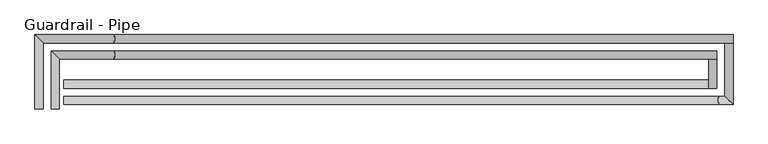
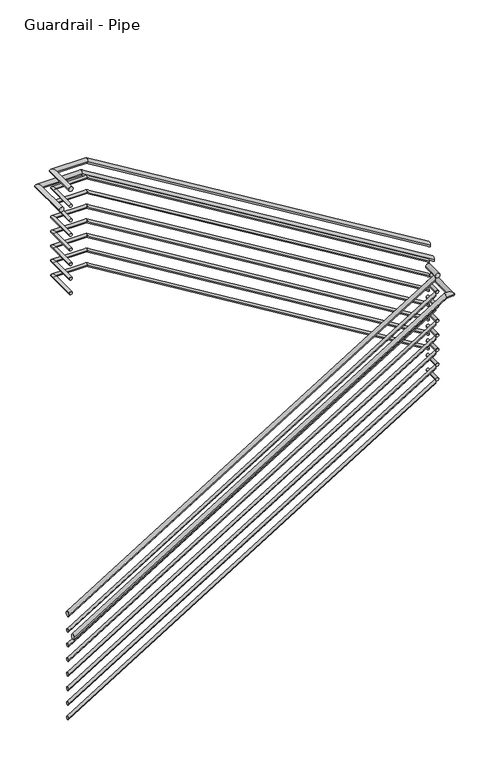
"""IFC4 building model written with IfcOpenShell, lengths in millimetres: railing geometry, Guardrail - Pipe."""

from ifc_helpers import new_model, si_unit, frame, origin, place, context, project, spatial, circle_curve, ellipse_curve, source, transform, mapped, element, save
from ifc_brep_helpers import plane_surface, cylinder_surface, advanced_brep


def guardrail_pipe_e2300b9c(model_context):
    return source(origin(), model_context, "Body", "AdvancedBrep", [
        advanced_brep(
        [(2655.3404629, -22606.8340928, 5010.15), (2693.4404629, -22606.8340928, 5010.15), (2655.3404629, -22333.7840928, 5010.15), (2693.4404629, -22371.8840928, 5010.15), (2948.4563775, -22333.7840928, 5010.15), (2948.4563775, -22371.8840928, 5010.15), (5782.5952881, -22333.7840928, 3287.9847121), (5782.5952881, -22371.8840928, 3287.9847121)],
        [
            (0, 1, circle_curve(frame((2674.3904629, -22606.8340928, 5010.15), z_axis=(0.0, -1.0, 0.0), x_axis=(1.0, 0.0, 0.0)), 19.05)),
            (1, 0, circle_curve(frame((2674.3904629, -22606.8340928, 5010.15), z_axis=(0.0, -1.0, 0.0), x_axis=(1.0, 0.0, 0.0)), 19.05)),
            (0, 2),
            (2, 3, ellipse_curve(frame((2674.3904629, -22352.8340928, 5010.15), z_axis=(-0.7071067811865462, -0.7071067811865488, 0.0), x_axis=(0.7071067811865488, -0.7071067811865462, 0.0)), 26.9407684, 19.05)),
            (3, 1),
            (3, 2, ellipse_curve(frame((2674.3904629, -22352.8340928, 5010.15), z_axis=(-0.7071067811865462, -0.7071067811865488, 0.0), x_axis=(0.7071067811865488, -0.7071067811865462, 0.0)), 26.9407684, 19.05)),
            (2, 4),
            (4, 5, ellipse_curve(frame((2948.4563775, -22352.8340928, 5010.15), z_axis=(-0.9629628986433272, 0.0, 0.26963392931239466), x_axis=(-0.2696339293123937, 0.0, -0.9629628986433273)), 19.7826936, 19.05)),
            (5, 3),
            (5, 4, ellipse_curve(frame((2948.4563775, -22352.8340928, 5010.15), z_axis=(-0.9629628986433272, 0.0, 0.26963392931239466), x_axis=(-0.2696339293123937, 0.0, -0.9629628986433273)), 19.7826936, 19.05)),
            (6, 7, ellipse_curve(frame((5782.5952881, -22352.8340928, 3287.9847121), z_axis=(1.0, 0.0, 0.0), x_axis=(0.0, 0.0, 1.0)), 22.2912585, 19.05)),
            (7, 6, ellipse_curve(frame((5782.5952881, -22352.8340928, 3287.9847121), z_axis=(1.0, 0.0, 0.0), x_axis=(0.0, 0.0, 1.0)), 22.2912585, 19.05)),
            (4, 6),
            (7, 5),
        ],
        [
            plane_surface(frame((2674.3904629, -22606.8340928, 5029.2), z_axis=(0.0, -1.0, 0.0), x_axis=(0.0, 0.0, 1.0))),
            cylinder_surface(frame((2674.3904629, -22606.8340928, 5010.15), z_axis=(0.0, -1.0, 0.0), x_axis=(1.0, 0.0, 0.0)), 19.05),
            cylinder_surface(frame((2674.3904629, -22352.8340928, 5010.15), z_axis=(-1.0, 0.0, 0.0), x_axis=(0.0, -1.0, 0.0)), 19.05),
            plane_surface(frame((5782.5952881, -22352.8340928, 3310.2759705), z_axis=(1.0, 0.0, 0.0), x_axis=(0.0, 1.0, 0.0))),
            cylinder_surface(frame((2943.8978943, -22352.8340928, 5012.9199636), z_axis=(-0.8545950883271172, 0.0, 0.519294940286507), x_axis=(0.0, -1.0, 0.0)), 19.05),
        ],
        [
            (0, [[1, 2]]),
            (1, [[-1, 3, 4, 5]]),
            (1, [[-2, -5, 6, -3]]),
            (2, [[-4, 7, 8, 9]]),
            (2, [[-6, -9, 10, -7]]),
            (3, [[11, 12]]),
            (4, [[-8, 13, -12, 14]]),
            (4, [[-10, -14, -11, -13]]),
        ],
    ),
        advanced_brep(
        [(5782.5952881, -22371.8840928, 3115.0891304), (5744.4952881, -22371.8840928, 3115.0891304), (5782.5952881, -22509.0587769, 3115.0891304), (5744.4952881, -22509.0587769, 3115.0891304)],
        [
            (0, 1, circle_curve(frame((5763.5452881, -22371.8840928, 3115.0891304), z_axis=(0.0, 1.0, 0.0), x_axis=(-1.0, 0.0, 0.0)), 19.05)),
            (1, 0, circle_curve(frame((5763.5452881, -22371.8840928, 3115.0891304), z_axis=(0.0, 1.0, 0.0), x_axis=(-1.0, 0.0, 0.0)), 19.05)),
            (2, 3, circle_curve(frame((5763.5452881, -22509.0587769, 3115.0891304), z_axis=(0.0, -1.0, 0.0), x_axis=(-1.0, 0.0, 0.0)), 19.05)),
            (3, 2, circle_curve(frame((5763.5452881, -22509.0587769, 3115.0891304), z_axis=(0.0, -1.0, 0.0), x_axis=(-1.0, 0.0, 0.0)), 19.05)),
            (0, 2),
            (3, 1),
        ],
        [
            plane_surface(frame((5763.5452881, -22371.8840928, 3134.1391304), z_axis=(0.0, 1.0, 0.0), x_axis=(0.0, 0.0, -1.0))),
            plane_surface(frame((5763.5452881, -22509.0587769, 3134.1391304), z_axis=(0.0, -1.0, 0.0), x_axis=(0.0, 0.0, -1.0))),
            cylinder_surface(frame((5763.5452881, -22371.8840928, 3115.0891304), z_axis=(0.0, 1.0, 0.0), x_axis=(-1.0, 0.0, 0.0)), 19.05),
        ],
        [
            (0, [[1, 2]]),
            (1, [[3, 4]]),
            (2, [[-1, 5, -4, 6]]),
            (2, [[-2, -6, -3, -5]]),
        ],
    ),
        advanced_brep(
        [(5744.4952881, -22509.0587769, 3084.3509489), (5744.4952881, -22470.9587769, 3084.3509489), (2715.5452881, -22509.0587769, 1216.6979844), (2715.5452881, -22470.9587769, 1216.6979844)],
        [
            (0, 1, ellipse_curve(frame((5744.4952881, -22490.0087769, 3084.3509489), z_axis=(1.0, 0.0, 0.0), x_axis=(0.0, 0.0, 1.0)), 22.3802764, 19.05)),
            (1, 0, ellipse_curve(frame((5744.4952881, -22490.0087769, 3084.3509489), z_axis=(1.0, 0.0, 0.0), x_axis=(0.0, 0.0, 1.0)), 22.3802764, 19.05)),
            (2, 3, ellipse_curve(frame((2715.5452881, -22490.0087769, 1216.6979844), z_axis=(-1.0, 0.0, 0.0), x_axis=(0.0, 0.0, 1.0)), 22.3802764, 19.05)),
            (3, 2, ellipse_curve(frame((2715.5452881, -22490.0087769, 1216.6979844), z_axis=(-1.0, 0.0, 0.0), x_axis=(0.0, 0.0, 1.0)), 22.3802764, 19.05)),
            (0, 2),
            (3, 1),
        ],
        [
            plane_surface(frame((5744.4952881, -22490.0087769, 3106.7312253), z_axis=(1.0, 0.0, 0.0), x_axis=(0.0, -1.0, 0.0))),
            plane_surface(frame((2715.5452881, -22490.0087769, 1239.0782609), z_axis=(-1.0, 0.0, 0.0), x_axis=(0.0, -1.0, 0.0))),
            cylinder_surface(frame((5754.493644, -22490.0087769, 3090.515943), z_axis=(0.8511959207162859, 0.0, 0.52484807759575), x_axis=(0.0, 1.0, 0.0)), 19.05),
        ],
        [
            (0, [[1, 2]]),
            (1, [[3, 4]]),
            (2, [[-1, 5, -4, 6]]),
            (2, [[-2, -6, -3, -5]]),
        ],
    ),
        advanced_brep(
        [(2661.6904629, -22606.8340928, 4864.1), (2687.0904629, -22606.8340928, 4864.1), (2661.6904629, -22340.1340928, 4864.1), (2687.0904629, -22365.5340928, 4864.1), (2950.2344059, -22340.1340928, 4864.1), (2950.2344059, -22365.5340928, 4864.1), (5776.2452881, -22340.1340928, 3146.8737108), (5776.2452881, -22365.5340928, 3146.8737108)],
        [
            (0, 1, circle_curve(frame((2674.3904629, -22606.8340928, 4864.1), z_axis=(0.0, -1.0, 0.0), x_axis=(1.0, 0.0, 0.0)), 12.7)),
            (1, 0, circle_curve(frame((2674.3904629, -22606.8340928, 4864.1), z_axis=(0.0, -1.0, 0.0), x_axis=(1.0, 0.0, 0.0)), 12.7)),
            (0, 2),
            (2, 3, ellipse_curve(frame((2674.3904629, -22352.8340928, 4864.1), z_axis=(-0.7071067811865462, -0.7071067811865488, 0.0), x_axis=(0.7071067811865488, -0.7071067811865462, 0.0)), 17.9605122, 12.7)),
            (3, 1),
            (3, 2, ellipse_curve(frame((2674.3904629, -22352.8340928, 4864.1), z_axis=(-0.7071067811865462, -0.7071067811865488, 0.0), x_axis=(0.7071067811865488, -0.7071067811865462, 0.0)), 17.9605122, 12.7)),
            (2, 4),
            (4, 5, ellipse_curve(frame((2950.2344059, -22352.8340928, 4864.1), z_axis=(-0.9629628986433272, 0.0, 0.26963392931239466), x_axis=(-0.2696339293123937, 0.0, -0.9629628986433273)), 13.1884624, 12.7)),
            (5, 3),
            (5, 4, ellipse_curve(frame((2950.2344059, -22352.8340928, 4864.1), z_axis=(-0.9629628986433272, 0.0, 0.26963392931239466), x_axis=(-0.2696339293123937, 0.0, -0.9629628986433273)), 13.1884624, 12.7)),
            (6, 7, ellipse_curve(frame((5776.2452881, -22352.8340928, 3146.8737108), z_axis=(1.0, 0.0, 0.0), x_axis=(0.0, 0.0, 1.0)), 14.860839, 12.7)),
            (7, 6, ellipse_curve(frame((5776.2452881, -22352.8340928, 3146.8737108), z_axis=(1.0, 0.0, 0.0), x_axis=(0.0, 0.0, 1.0)), 14.860839, 12.7)),
            (4, 6),
            (7, 5),
        ],
        [
            plane_surface(frame((2674.3904629, -22606.8340928, 4876.8), z_axis=(0.0, -1.0, 0.0), x_axis=(0.0, 0.0, 1.0))),
            cylinder_surface(frame((2674.3904629, -22606.8340928, 4864.1), z_axis=(0.0, -1.0, 0.0), x_axis=(1.0, 0.0, 0.0)), 12.7),
            cylinder_surface(frame((2674.3904629, -22352.8340928, 4864.1), z_axis=(-1.0, 0.0, 0.0), x_axis=(0.0, -1.0, 0.0)), 12.7),
            plane_surface(frame((5776.2452881, -22352.8340928, 3161.7345498), z_axis=(1.0, 0.0, 0.0), x_axis=(0.0, 1.0, 0.0))),
            cylinder_surface(frame((2947.1954171, -22352.8340928, 4865.9466424), z_axis=(-0.8545950883271172, 0.0, 0.519294940286507), x_axis=(0.0, -1.0, 0.0)), 12.7),
        ],
        [
            (0, [[1, 2]]),
            (1, [[-1, 3, 4, 5]]),
            (1, [[-2, -5, 6, -3]]),
            (2, [[-4, 7, 8, 9]]),
            (2, [[-6, -9, 10, -7]]),
            (3, [[11, 12]]),
            (4, [[-8, 13, -12, 14]]),
            (4, [[-10, -14, -11, -13]]),
        ],
    ),
        advanced_brep(
        [(5776.2452881, -22365.5340928, 2969.0391304), (5750.8452881, -22365.5340928, 2969.0391304), (5776.2452881, -22502.7087769, 2969.0391304), (5750.8452881, -22502.7087769, 2969.0391304)],
        [
            (0, 1, circle_curve(frame((5763.5452881, -22365.5340928, 2969.0391304), z_axis=(0.0, 1.0, 0.0), x_axis=(-1.0, 0.0, 0.0)), 12.7)),
            (1, 0, circle_curve(frame((5763.5452881, -22365.5340928, 2969.0391304), z_axis=(0.0, 1.0, 0.0), x_axis=(-1.0, 0.0, 0.0)), 12.7)),
            (2, 3, circle_curve(frame((5763.5452881, -22502.7087769, 2969.0391304), z_axis=(0.0, -1.0, 0.0), x_axis=(-1.0, 0.0, 0.0)), 12.7)),
            (3, 2, circle_curve(frame((5763.5452881, -22502.7087769, 2969.0391304), z_axis=(0.0, -1.0, 0.0), x_axis=(-1.0, 0.0, 0.0)), 12.7)),
            (0, 2),
            (3, 1),
        ],
        [
            plane_surface(frame((5763.5452881, -22365.5340928, 2981.7391304), z_axis=(0.0, 1.0, 0.0), x_axis=(0.0, 0.0, -1.0))),
            plane_surface(frame((5763.5452881, -22502.7087769, 2981.7391304), z_axis=(0.0, -1.0, 0.0), x_axis=(0.0, 0.0, -1.0))),
            cylinder_surface(frame((5763.5452881, -22365.5340928, 2969.0391304), z_axis=(0.0, 1.0, 0.0), x_axis=(-1.0, 0.0, 0.0)), 12.7),
        ],
        [
            (0, [[1, 2]]),
            (1, [[3, 4]]),
            (2, [[-1, 5, -4, 6]]),
            (2, [[-2, -6, -3, -5]]),
        ],
    ),
        advanced_brep(
        [(5750.8452881, -22502.7087769, 2943.326456), (5750.8452881, -22477.3087769, 2943.326456), (2715.5452881, -22502.7087769, 1071.7580766), (2715.5452881, -22477.3087769, 1071.7580766)],
        [
            (0, 1, ellipse_curve(frame((5750.8452881, -22490.0087769, 2943.326456), z_axis=(1.0, 0.0, 0.0), x_axis=(0.0, 0.0, 1.0)), 14.9201843, 12.7)),
            (1, 0, ellipse_curve(frame((5750.8452881, -22490.0087769, 2943.326456), z_axis=(1.0, 0.0, 0.0), x_axis=(0.0, 0.0, 1.0)), 14.9201843, 12.7)),
            (2, 3, ellipse_curve(frame((2715.5452881, -22490.0087769, 1071.7580766), z_axis=(-1.0, 0.0, 0.0), x_axis=(0.0, 0.0, 1.0)), 14.9201843, 12.7)),
            (3, 2, ellipse_curve(frame((2715.5452881, -22490.0087769, 1071.7580766), z_axis=(-1.0, 0.0, 0.0), x_axis=(0.0, 0.0, 1.0)), 14.9201843, 12.7)),
            (0, 2),
            (3, 1),
        ],
        [
            plane_surface(frame((5750.8452881, -22490.0087769, 2958.2466403), z_axis=(1.0, 0.0, 0.0), x_axis=(0.0, -1.0, 0.0))),
            plane_surface(frame((2715.5452881, -22490.0087769, 1086.6782609), z_axis=(-1.0, 0.0, 0.0), x_axis=(0.0, -1.0, 0.0))),
            cylinder_surface(frame((5757.5108587, -22490.0087769, 2947.4364521), z_axis=(0.8511959207162859, 0.0, 0.52484807759575), x_axis=(0.0, 1.0, 0.0)), 12.7),
        ],
        [
            (0, [[1, 2]]),
            (1, [[3, 4]]),
            (2, [[-1, 5, -4, 6]]),
            (2, [[-2, -6, -3, -5]]),
        ],
    ),
        advanced_brep(
        [(2579.1404629, -22606.8340928, 4857.75), (2617.2404629, -22606.8340928, 4857.75), (2579.1404629, -22257.5840928, 4857.75), (2617.2404629, -22295.6840928, 4857.75), (2948.4563775, -22257.5840928, 4857.75), (2948.4563775, -22295.6840928, 4857.75), (5858.7952881, -22257.5840928, 3089.2817611), (5858.7952881, -22295.6840928, 3089.2817611)],
        [
            (0, 1, circle_curve(frame((2598.1904629, -22606.8340928, 4857.75), z_axis=(0.0, -1.0, 0.0), x_axis=(1.0, 0.0, 0.0)), 19.05)),
            (1, 0, circle_curve(frame((2598.1904629, -22606.8340928, 4857.75), z_axis=(0.0, -1.0, 0.0), x_axis=(1.0, 0.0, 0.0)), 19.05)),
            (0, 2),
            (2, 3, ellipse_curve(frame((2598.1904629, -22276.6340928, 4857.75), z_axis=(-0.7071067811865462, -0.7071067811865488, 0.0), x_axis=(0.7071067811865488, -0.7071067811865462, 0.0)), 26.9407684, 19.05)),
            (3, 1),
            (3, 2, ellipse_curve(frame((2598.1904629, -22276.6340928, 4857.75), z_axis=(-0.7071067811865462, -0.7071067811865488, 0.0), x_axis=(0.7071067811865488, -0.7071067811865462, 0.0)), 26.9407684, 19.05)),
            (2, 4),
            (4, 5, ellipse_curve(frame((2948.4563775, -22276.6340928, 4857.75), z_axis=(-0.9629628986433271, 0.0, 0.2696339293123947), x_axis=(-0.2696339293123945, 0.0, -0.962962898643327)), 19.7826936, 19.05)),
            (5, 3),
            (5, 4, ellipse_curve(frame((2948.4563775, -22276.6340928, 4857.75), z_axis=(-0.9629628986433271, 0.0, 0.2696339293123947), x_axis=(-0.2696339293123945, 0.0, -0.962962898643327)), 19.7826936, 19.05)),
            (6, 7, ellipse_curve(frame((5858.7952881, -22276.6340928, 3089.2817611), z_axis=(1.0, 0.0, 0.0), x_axis=(0.0, 0.0, 1.0)), 22.2912585, 19.05)),
            (7, 6, ellipse_curve(frame((5858.7952881, -22276.6340928, 3089.2817611), z_axis=(1.0, 0.0, 0.0), x_axis=(0.0, 0.0, 1.0)), 22.2912585, 19.05)),
            (4, 6),
            (7, 5),
        ],
        [
            plane_surface(frame((2598.1904629, -22606.8340928, 4876.8), z_axis=(0.0, -1.0, 0.0), x_axis=(0.0, 0.0, 1.0))),
            cylinder_surface(frame((2598.1904629, -22606.8340928, 4857.75), z_axis=(0.0, -1.0, 0.0), x_axis=(1.0, 0.0, 0.0)), 19.05),
            cylinder_surface(frame((2598.1904629, -22276.6340928, 4857.75), z_axis=(-1.0, 0.0, 0.0), x_axis=(0.0, -1.0, 0.0)), 19.05),
            plane_surface(frame((5858.7952881, -22276.6340928, 3111.5730196), z_axis=(1.0, 0.0, 0.0), x_axis=(0.0, 1.0, 0.0))),
            cylinder_surface(frame((2943.8978943, -22276.6340928, 4860.5199636), z_axis=(-0.8545950883271171, 0.0, 0.5192949402865071), x_axis=(0.0, -1.0, 0.0)), 19.05),
        ],
        [
            (0, [[1, 2]]),
            (1, [[-1, 3, 4, 5]]),
            (1, [[-2, -5, 6, -3]]),
            (2, [[-4, 7, 8, 9]]),
            (2, [[-6, -9, 10, -7]]),
            (3, [[11, 12]]),
            (4, [[-8, 13, -12, 14]]),
            (4, [[-10, -14, -11, -13]]),
        ],
    ),
        advanced_brep(
        [(5858.7952881, -22295.6840928, 2962.6891304), (5820.6952881, -22295.6840928, 2962.6891304), (5858.7952881, -22585.2587769, 2962.6891304), (5820.6952881, -22547.1587769, 2962.6891304), (5794.3463133, -22585.2587769, 2962.6891304), (5794.3463133, -22547.1587769, 2962.6891304), (2715.5452881, -22585.2587769, 1064.2979844), (2715.5452881, -22547.1587769, 1064.2979844)],
        [
            (0, 1, circle_curve(frame((5839.7452881, -22295.6840928, 2962.6891304), z_axis=(0.0, 1.0, 0.0), x_axis=(-1.0, 0.0, 0.0)), 19.05)),
            (1, 0, circle_curve(frame((5839.7452881, -22295.6840928, 2962.6891304), z_axis=(0.0, 1.0, 0.0), x_axis=(-1.0, 0.0, 0.0)), 19.05)),
            (0, 2),
            (2, 3, ellipse_curve(frame((5839.7452881, -22566.2087769, 2962.6891304), z_axis=(0.7071067811865487, 0.7071067811865464, 0.0), x_axis=(-0.7071067811865464, 0.7071067811865487, 0.0)), 26.9407684, 19.05)),
            (3, 1),
            (3, 2, ellipse_curve(frame((5839.7452881, -22566.2087769, 2962.6891304), z_axis=(0.7071067811865487, 0.7071067811865464, 0.0), x_axis=(-0.7071067811865464, 0.7071067811865487, 0.0)), 26.9407684, 19.05)),
            (2, 4),
            (4, 5, ellipse_curve(frame((5794.3463133, -22566.2087769, 2962.6891304), z_axis=(0.9620800176482946, 0.0, 0.2727673727590181), x_axis=(0.27276737275901797, 0.0, -0.9620800176482945)), 19.8008478, 19.05)),
            (5, 3),
            (5, 4, ellipse_curve(frame((5794.3463133, -22566.2087769, 2962.6891304), z_axis=(0.9620800176482946, 0.0, 0.2727673727590181), x_axis=(0.27276737275901797, 0.0, -0.9620800176482945)), 19.8008478, 19.05)),
            (6, 7, ellipse_curve(frame((2715.5452881, -22566.2087769, 1064.2979844), z_axis=(-1.0, 0.0, 0.0), x_axis=(0.0, 0.0, 1.0)), 22.3802764, 19.05)),
            (7, 6, ellipse_curve(frame((2715.5452881, -22566.2087769, 1064.2979844), z_axis=(-1.0, 0.0, 0.0), x_axis=(0.0, 0.0, 1.0)), 22.3802764, 19.05)),
            (4, 6),
            (7, 5),
        ],
        [
            plane_surface(frame((5839.7452881, -22295.6840928, 2981.7391304), z_axis=(0.0, 1.0, 0.0), x_axis=(0.0, 0.0, -1.0))),
            cylinder_surface(frame((5839.7452881, -22295.6840928, 2962.6891304), z_axis=(0.0, 1.0, 0.0), x_axis=(-1.0, 0.0, 0.0)), 19.05),
            cylinder_surface(frame((5839.7452881, -22566.2087769, 2962.6891304), z_axis=(1.0, 0.0, 0.0), x_axis=(0.0, 1.0, 0.0)), 19.05),
            plane_surface(frame((2715.5452881, -22566.2087769, 1086.6782609), z_axis=(-1.0, 0.0, 0.0), x_axis=(0.0, -1.0, 0.0))),
            cylinder_surface(frame((5798.943644, -22566.2087769, 2965.5238481), z_axis=(0.8511959207162858, 0.0, 0.5248480775957501), x_axis=(0.0, 1.0, 0.0)), 19.05),
        ],
        [
            (0, [[1, 2]]),
            (1, [[-1, 3, 4, 5]]),
            (1, [[-2, -5, 6, -3]]),
            (2, [[-4, 7, 8, 9]]),
            (2, [[-6, -9, 10, -7]]),
            (3, [[11, 12]]),
            (4, [[-8, 13, -12, 14]]),
            (4, [[-10, -14, -11, -13]]),
        ],
    ),
        advanced_brep(
        [(2661.6904629, -22606.8340928, 4737.1), (2687.0904629, -22606.8340928, 4737.1), (2661.6904629, -22340.1340928, 4737.1), (2687.0904629, -22365.5340928, 4737.1), (2950.2344059, -22340.1340928, 4737.1), (2950.2344059, -22365.5340928, 4737.1), (5776.2452881, -22340.1340928, 3019.8737108), (5776.2452881, -22365.5340928, 3019.8737108)],
        [
            (0, 1, circle_curve(frame((2674.3904629, -22606.8340928, 4737.1), z_axis=(0.0, -1.0, 0.0), x_axis=(1.0, 0.0, 0.0)), 12.7)),
            (1, 0, circle_curve(frame((2674.3904629, -22606.8340928, 4737.1), z_axis=(0.0, -1.0, 0.0), x_axis=(1.0, 0.0, 0.0)), 12.7)),
            (0, 2),
            (2, 3, ellipse_curve(frame((2674.3904629, -22352.8340928, 4737.1), z_axis=(-0.7071067811865462, -0.7071067811865488, 0.0), x_axis=(0.7071067811865488, -0.7071067811865462, 0.0)), 17.9605122, 12.7)),
            (3, 1),
            (3, 2, ellipse_curve(frame((2674.3904629, -22352.8340928, 4737.1), z_axis=(-0.7071067811865462, -0.7071067811865488, 0.0), x_axis=(0.7071067811865488, -0.7071067811865462, 0.0)), 17.9605122, 12.7)),
            (2, 4),
            (4, 5, ellipse_curve(frame((2950.2344059, -22352.8340928, 4737.1), z_axis=(-0.9629628986433272, 0.0, 0.26963392931239466), x_axis=(-0.2696339293123937, 0.0, -0.9629628986433273)), 13.1884624, 12.7)),
            (5, 3),
            (5, 4, ellipse_curve(frame((2950.2344059, -22352.8340928, 4737.1), z_axis=(-0.9629628986433272, 0.0, 0.26963392931239466), x_axis=(-0.2696339293123937, 0.0, -0.9629628986433273)), 13.1884624, 12.7)),
            (6, 7, ellipse_curve(frame((5776.2452881, -22352.8340928, 3019.8737108), z_axis=(1.0, 0.0, 0.0), x_axis=(0.0, 0.0, 1.0)), 14.860839, 12.7)),
            (7, 6, ellipse_curve(frame((5776.2452881, -22352.8340928, 3019.8737108), z_axis=(1.0, 0.0, 0.0), x_axis=(0.0, 0.0, 1.0)), 14.860839, 12.7)),
            (4, 6),
            (7, 5),
        ],
        [
            plane_surface(frame((2674.3904629, -22606.8340928, 4749.8), z_axis=(0.0, -1.0, 0.0), x_axis=(0.0, 0.0, 1.0))),
            cylinder_surface(frame((2674.3904629, -22606.8340928, 4737.1), z_axis=(0.0, -1.0, 0.0), x_axis=(1.0, 0.0, 0.0)), 12.7),
            cylinder_surface(frame((2674.3904629, -22352.8340928, 4737.1), z_axis=(-1.0, 0.0, 0.0), x_axis=(0.0, -1.0, 0.0)), 12.7),
            plane_surface(frame((5776.2452881, -22352.8340928, 3034.7345498), z_axis=(1.0, 0.0, 0.0), x_axis=(0.0, 1.0, 0.0))),
            cylinder_surface(frame((2947.1954171, -22352.8340928, 4738.9466424), z_axis=(-0.8545950883271172, 0.0, 0.519294940286507), x_axis=(0.0, -1.0, 0.0)), 12.7),
        ],
        [
            (0, [[1, 2]]),
            (1, [[-1, 3, 4, 5]]),
            (1, [[-2, -5, 6, -3]]),
            (2, [[-4, 7, 8, 9]]),
            (2, [[-6, -9, 10, -7]]),
            (3, [[11, 12]]),
            (4, [[-8, 13, -12, 14]]),
            (4, [[-10, -14, -11, -13]]),
        ],
    ),
        advanced_brep(
        [(5776.2452881, -22365.5340928, 2842.0391304), (5750.8452881, -22365.5340928, 2842.0391304), (5776.2452881, -22502.7087769, 2842.0391304), (5750.8452881, -22502.7087769, 2842.0391304)],
        [
            (0, 1, circle_curve(frame((5763.5452881, -22365.5340928, 2842.0391304), z_axis=(0.0, 1.0, 0.0), x_axis=(-1.0, 0.0, 0.0)), 12.7)),
            (1, 0, circle_curve(frame((5763.5452881, -22365.5340928, 2842.0391304), z_axis=(0.0, 1.0, 0.0), x_axis=(-1.0, 0.0, 0.0)), 12.7)),
            (2, 3, circle_curve(frame((5763.5452881, -22502.7087769, 2842.0391304), z_axis=(0.0, -1.0, 0.0), x_axis=(-1.0, 0.0, 0.0)), 12.7)),
            (3, 2, circle_curve(frame((5763.5452881, -22502.7087769, 2842.0391304), z_axis=(0.0, -1.0, 0.0), x_axis=(-1.0, 0.0, 0.0)), 12.7)),
            (0, 2),
            (3, 1),
        ],
        [
            plane_surface(frame((5763.5452881, -22365.5340928, 2854.7391304), z_axis=(0.0, 1.0, 0.0), x_axis=(0.0, 0.0, -1.0))),
            plane_surface(frame((5763.5452881, -22502.7087769, 2854.7391304), z_axis=(0.0, -1.0, 0.0), x_axis=(0.0, 0.0, -1.0))),
            cylinder_surface(frame((5763.5452881, -22365.5340928, 2842.0391304), z_axis=(0.0, 1.0, 0.0), x_axis=(-1.0, 0.0, 0.0)), 12.7),
        ],
        [
            (0, [[1, 2]]),
            (1, [[3, 4]]),
            (2, [[-1, 5, -4, 6]]),
            (2, [[-2, -6, -3, -5]]),
        ],
    ),
        advanced_brep(
        [(5750.8452881, -22502.7087769, 2816.326456), (5750.8452881, -22477.3087769, 2816.326456), (2715.5452881, -22502.7087769, 944.7580766), (2715.5452881, -22477.3087769, 944.7580766)],
        [
            (0, 1, ellipse_curve(frame((5750.8452881, -22490.0087769, 2816.326456), z_axis=(1.0, 0.0, 0.0), x_axis=(0.0, 0.0, 1.0)), 14.9201843, 12.7)),
            (1, 0, ellipse_curve(frame((5750.8452881, -22490.0087769, 2816.326456), z_axis=(1.0, 0.0, 0.0), x_axis=(0.0, 0.0, 1.0)), 14.9201843, 12.7)),
            (2, 3, ellipse_curve(frame((2715.5452881, -22490.0087769, 944.7580766), z_axis=(-1.0, 0.0, 0.0), x_axis=(0.0, 0.0, 1.0)), 14.9201843, 12.7)),
            (3, 2, ellipse_curve(frame((2715.5452881, -22490.0087769, 944.7580766), z_axis=(-1.0, 0.0, 0.0), x_axis=(0.0, 0.0, 1.0)), 14.9201843, 12.7)),
            (0, 2),
            (3, 1),
        ],
        [
            plane_surface(frame((5750.8452881, -22490.0087769, 2831.2466403), z_axis=(1.0, 0.0, 0.0), x_axis=(0.0, -1.0, 0.0))),
            plane_surface(frame((2715.5452881, -22490.0087769, 959.6782609), z_axis=(-1.0, 0.0, 0.0), x_axis=(0.0, -1.0, 0.0))),
            cylinder_surface(frame((5757.5108587, -22490.0087769, 2820.4364521), z_axis=(0.8511959207162859, 0.0, 0.5248480775957501), x_axis=(0.0, 1.0, 0.0)), 12.7),
        ],
        [
            (0, [[1, 2]]),
            (1, [[3, 4]]),
            (2, [[-1, 5, -4, 6]]),
            (2, [[-2, -6, -3, -5]]),
        ],
    ),
        advanced_brep(
        [(2661.6904629, -22606.8340928, 4610.1), (2687.0904629, -22606.8340928, 4610.1), (2661.6904629, -22340.1340928, 4610.1), (2687.0904629, -22365.5340928, 4610.1), (2950.2344059, -22340.1340928, 4610.1), (2950.2344059, -22365.5340928, 4610.1), (5776.2452881, -22340.1340928, 2892.8737108), (5776.2452881, -22365.5340928, 2892.8737108)],
        [
            (0, 1, circle_curve(frame((2674.3904629, -22606.8340928, 4610.1), z_axis=(0.0, -1.0, 0.0), x_axis=(1.0, 0.0, 0.0)), 12.7)),
            (1, 0, circle_curve(frame((2674.3904629, -22606.8340928, 4610.1), z_axis=(0.0, -1.0, 0.0), x_axis=(1.0, 0.0, 0.0)), 12.7)),
            (0, 2),
            (2, 3, ellipse_curve(frame((2674.3904629, -22352.8340928, 4610.1), z_axis=(-0.7071067811865462, -0.7071067811865488, 0.0), x_axis=(0.7071067811865488, -0.7071067811865462, 0.0)), 17.9605122, 12.7)),
            (3, 1),
            (3, 2, ellipse_curve(frame((2674.3904629, -22352.8340928, 4610.1), z_axis=(-0.7071067811865462, -0.7071067811865488, 0.0), x_axis=(0.7071067811865488, -0.7071067811865462, 0.0)), 17.9605122, 12.7)),
            (2, 4),
            (4, 5, ellipse_curve(frame((2950.2344059, -22352.8340928, 4610.1), z_axis=(-0.9629628986433272, 0.0, 0.26963392931239466), x_axis=(-0.2696339293123937, 0.0, -0.9629628986433273)), 13.1884624, 12.7)),
            (5, 3),
            (5, 4, ellipse_curve(frame((2950.2344059, -22352.8340928, 4610.1), z_axis=(-0.9629628986433272, 0.0, 0.26963392931239466), x_axis=(-0.2696339293123937, 0.0, -0.9629628986433273)), 13.1884624, 12.7)),
            (6, 7, ellipse_curve(frame((5776.2452881, -22352.8340928, 2892.8737108), z_axis=(1.0, 0.0, 0.0), x_axis=(0.0, 0.0, 1.0)), 14.860839, 12.7)),
            (7, 6, ellipse_curve(frame((5776.2452881, -22352.8340928, 2892.8737108), z_axis=(1.0, 0.0, 0.0), x_axis=(0.0, 0.0, 1.0)), 14.860839, 12.7)),
            (4, 6),
            (7, 5),
        ],
        [
            plane_surface(frame((2674.3904629, -22606.8340928, 4622.8), z_axis=(0.0, -1.0, 0.0), x_axis=(0.0, 0.0, 1.0))),
            cylinder_surface(frame((2674.3904629, -22606.8340928, 4610.1), z_axis=(0.0, -1.0, 0.0), x_axis=(1.0, 0.0, 0.0)), 12.7),
            cylinder_surface(frame((2674.3904629, -22352.8340928, 4610.1), z_axis=(-1.0, 0.0, 0.0), x_axis=(0.0, -1.0, 0.0)), 12.7),
            plane_surface(frame((5776.2452881, -22352.8340928, 2907.7345498), z_axis=(1.0, 0.0, 0.0), x_axis=(0.0, 1.0, 0.0))),
            cylinder_surface(frame((2947.1954171, -22352.8340928, 4611.9466424), z_axis=(-0.8545950883271172, 0.0, 0.519294940286507), x_axis=(0.0, -1.0, 0.0)), 12.7),
        ],
        [
            (0, [[1, 2]]),
            (1, [[-1, 3, 4, 5]]),
            (1, [[-2, -5, 6, -3]]),
            (2, [[-4, 7, 8, 9]]),
            (2, [[-6, -9, 10, -7]]),
            (3, [[11, 12]]),
            (4, [[-8, 13, -12, 14]]),
            (4, [[-10, -14, -11, -13]]),
        ],
    ),
        advanced_brep(
        [(5776.2452881, -22365.5340928, 2715.0391304), (5750.8452881, -22365.5340928, 2715.0391304), (5776.2452881, -22502.7087769, 2715.0391304), (5750.8452881, -22502.7087769, 2715.0391304)],
        [
            (0, 1, circle_curve(frame((5763.5452881, -22365.5340928, 2715.0391304), z_axis=(0.0, 1.0, 0.0), x_axis=(-1.0, 0.0, 0.0)), 12.7)),
            (1, 0, circle_curve(frame((5763.5452881, -22365.5340928, 2715.0391304), z_axis=(0.0, 1.0, 0.0), x_axis=(-1.0, 0.0, 0.0)), 12.7)),
            (2, 3, circle_curve(frame((5763.5452881, -22502.7087769, 2715.0391304), z_axis=(0.0, -1.0, 0.0), x_axis=(-1.0, 0.0, 0.0)), 12.7)),
            (3, 2, circle_curve(frame((5763.5452881, -22502.7087769, 2715.0391304), z_axis=(0.0, -1.0, 0.0), x_axis=(-1.0, 0.0, 0.0)), 12.7)),
            (0, 2),
            (3, 1),
        ],
        [
            plane_surface(frame((5763.5452881, -22365.5340928, 2727.7391304), z_axis=(0.0, 1.0, 0.0), x_axis=(0.0, 0.0, -1.0))),
            plane_surface(frame((5763.5452881, -22502.7087769, 2727.7391304), z_axis=(0.0, -1.0, 0.0), x_axis=(0.0, 0.0, -1.0))),
            cylinder_surface(frame((5763.5452881, -22365.5340928, 2715.0391304), z_axis=(0.0, 1.0, 0.0), x_axis=(-1.0, 0.0, 0.0)), 12.7),
        ],
        [
            (0, [[1, 2]]),
            (1, [[3, 4]]),
            (2, [[-1, 5, -4, 6]]),
            (2, [[-2, -6, -3, -5]]),
        ],
    ),
        advanced_brep(
        [(5750.8452881, -22502.7087769, 2689.326456), (5750.8452881, -22477.3087769, 2689.326456), (2715.5452881, -22502.7087769, 817.7580766), (2715.5452881, -22477.3087769, 817.7580766)],
        [
            (0, 1, ellipse_curve(frame((5750.8452881, -22490.0087769, 2689.326456), z_axis=(1.0, 0.0, 0.0), x_axis=(0.0, 0.0, 1.0)), 14.9201843, 12.7)),
            (1, 0, ellipse_curve(frame((5750.8452881, -22490.0087769, 2689.326456), z_axis=(1.0, 0.0, 0.0), x_axis=(0.0, 0.0, 1.0)), 14.9201843, 12.7)),
            (2, 3, ellipse_curve(frame((2715.5452881, -22490.0087769, 817.7580766), z_axis=(-1.0, 0.0, 0.0), x_axis=(0.0, 0.0, 1.0)), 14.9201843, 12.7)),
            (3, 2, ellipse_curve(frame((2715.5452881, -22490.0087769, 817.7580766), z_axis=(-1.0, 0.0, 0.0), x_axis=(0.0, 0.0, 1.0)), 14.9201843, 12.7)),
            (0, 2),
            (3, 1),
        ],
        [
            plane_surface(frame((5750.8452881, -22490.0087769, 2704.2466403), z_axis=(1.0, 0.0, 0.0), x_axis=(0.0, -1.0, 0.0))),
            plane_surface(frame((2715.5452881, -22490.0087769, 832.6782609), z_axis=(-1.0, 0.0, 0.0), x_axis=(0.0, -1.0, 0.0))),
            cylinder_surface(frame((5757.5108587, -22490.0087769, 2693.4364521), z_axis=(0.8511959207162859, 0.0, 0.5248480775957499), x_axis=(0.0, 1.0, 0.0)), 12.7),
        ],
        [
            (0, [[1, 2]]),
            (1, [[3, 4]]),
            (2, [[-1, 5, -4, 6]]),
            (2, [[-2, -6, -3, -5]]),
        ],
    ),
        advanced_brep(
        [(2661.6904629, -22606.8340928, 4483.1), (2687.0904629, -22606.8340928, 4483.1), (2661.6904629, -22340.1340928, 4483.1), (2687.0904629, -22365.5340928, 4483.1), (2950.2344059, -22340.1340928, 4483.1), (2950.2344059, -22365.5340928, 4483.1), (5776.2452881, -22340.1340928, 2765.8737108), (5776.2452881, -22365.5340928, 2765.8737108)],
        [
            (0, 1, circle_curve(frame((2674.3904629, -22606.8340928, 4483.1), z_axis=(0.0, -1.0, 0.0), x_axis=(1.0, 0.0, 0.0)), 12.7)),
            (1, 0, circle_curve(frame((2674.3904629, -22606.8340928, 4483.1), z_axis=(0.0, -1.0, 0.0), x_axis=(1.0, 0.0, 0.0)), 12.7)),
            (0, 2),
            (2, 3, ellipse_curve(frame((2674.3904629, -22352.8340928, 4483.1), z_axis=(-0.7071067811865462, -0.7071067811865488, 0.0), x_axis=(0.7071067811865488, -0.7071067811865462, 0.0)), 17.9605122, 12.7)),
            (3, 1),
            (3, 2, ellipse_curve(frame((2674.3904629, -22352.8340928, 4483.1), z_axis=(-0.7071067811865462, -0.7071067811865488, 0.0), x_axis=(0.7071067811865488, -0.7071067811865462, 0.0)), 17.9605122, 12.7)),
            (2, 4),
            (4, 5, ellipse_curve(frame((2950.2344059, -22352.8340928, 4483.1), z_axis=(-0.9629628986433272, 0.0, 0.26963392931239466), x_axis=(-0.2696339293123937, 0.0, -0.9629628986433273)), 13.1884624, 12.7)),
            (5, 3),
            (5, 4, ellipse_curve(frame((2950.2344059, -22352.8340928, 4483.1), z_axis=(-0.9629628986433272, 0.0, 0.26963392931239466), x_axis=(-0.2696339293123937, 0.0, -0.9629628986433273)), 13.1884624, 12.7)),
            (6, 7, ellipse_curve(frame((5776.2452881, -22352.8340928, 2765.8737108), z_axis=(1.0, 0.0, 0.0), x_axis=(0.0, 0.0, 1.0)), 14.860839, 12.7)),
            (7, 6, ellipse_curve(frame((5776.2452881, -22352.8340928, 2765.8737108), z_axis=(1.0, 0.0, 0.0), x_axis=(0.0, 0.0, 1.0)), 14.860839, 12.7)),
            (4, 6),
            (7, 5),
        ],
        [
            plane_surface(frame((2674.3904629, -22606.8340928, 4495.8), z_axis=(0.0, -1.0, 0.0), x_axis=(0.0, 0.0, 1.0))),
            cylinder_surface(frame((2674.3904629, -22606.8340928, 4483.1), z_axis=(0.0, -1.0, 0.0), x_axis=(1.0, 0.0, 0.0)), 12.7),
            cylinder_surface(frame((2674.3904629, -22352.8340928, 4483.1), z_axis=(-1.0, 0.0, 0.0), x_axis=(0.0, -1.0, 0.0)), 12.7),
            plane_surface(frame((5776.2452881, -22352.8340928, 2780.7345498), z_axis=(1.0, 0.0, 0.0), x_axis=(0.0, 1.0, 0.0))),
            cylinder_surface(frame((2947.1954171, -22352.8340928, 4484.9466424), z_axis=(-0.8545950883271172, 0.0, 0.519294940286507), x_axis=(0.0, -1.0, 0.0)), 12.7),
        ],
        [
            (0, [[1, 2]]),
            (1, [[-1, 3, 4, 5]]),
            (1, [[-2, -5, 6, -3]]),
            (2, [[-4, 7, 8, 9]]),
            (2, [[-6, -9, 10, -7]]),
            (3, [[11, 12]]),
            (4, [[-8, 13, -12, 14]]),
            (4, [[-10, -14, -11, -13]]),
        ],
    ),
        advanced_brep(
        [(5776.2452881, -22365.5340928, 2588.0391304), (5750.8452881, -22365.5340928, 2588.0391304), (5776.2452881, -22502.7087769, 2588.0391304), (5750.8452881, -22502.7087769, 2588.0391304)],
        [
            (0, 1, circle_curve(frame((5763.5452881, -22365.5340928, 2588.0391304), z_axis=(0.0, 1.0, 0.0), x_axis=(-1.0, 0.0, 0.0)), 12.7)),
            (1, 0, circle_curve(frame((5763.5452881, -22365.5340928, 2588.0391304), z_axis=(0.0, 1.0, 0.0), x_axis=(-1.0, 0.0, 0.0)), 12.7)),
            (2, 3, circle_curve(frame((5763.5452881, -22502.7087769, 2588.0391304), z_axis=(0.0, -1.0, 0.0), x_axis=(-1.0, 0.0, 0.0)), 12.7)),
            (3, 2, circle_curve(frame((5763.5452881, -22502.7087769, 2588.0391304), z_axis=(0.0, -1.0, 0.0), x_axis=(-1.0, 0.0, 0.0)), 12.7)),
            (0, 2),
            (3, 1),
        ],
        [
            plane_surface(frame((5763.5452881, -22365.5340928, 2600.7391304), z_axis=(0.0, 1.0, 0.0), x_axis=(0.0, 0.0, -1.0))),
            plane_surface(frame((5763.5452881, -22502.7087769, 2600.7391304), z_axis=(0.0, -1.0, 0.0), x_axis=(0.0, 0.0, -1.0))),
            cylinder_surface(frame((5763.5452881, -22365.5340928, 2588.0391304), z_axis=(0.0, 1.0, 0.0), x_axis=(-1.0, 0.0, 0.0)), 12.7),
        ],
        [
            (0, [[1, 2]]),
            (1, [[3, 4]]),
            (2, [[-1, 5, -4, 6]]),
            (2, [[-2, -6, -3, -5]]),
        ],
    ),
        advanced_brep(
        [(5750.8452881, -22502.7087769, 2562.326456), (5750.8452881, -22477.3087769, 2562.326456), (2715.5452881, -22502.7087769, 690.7580766), (2715.5452881, -22477.3087769, 690.7580766)],
        [
            (0, 1, ellipse_curve(frame((5750.8452881, -22490.0087769, 2562.326456), z_axis=(1.0, 0.0, 0.0), x_axis=(0.0, 0.0, 1.0)), 14.9201843, 12.7)),
            (1, 0, ellipse_curve(frame((5750.8452881, -22490.0087769, 2562.326456), z_axis=(1.0, 0.0, 0.0), x_axis=(0.0, 0.0, 1.0)), 14.9201843, 12.7)),
            (2, 3, ellipse_curve(frame((2715.5452881, -22490.0087769, 690.7580766), z_axis=(-1.0, 0.0, 0.0), x_axis=(0.0, 0.0, 1.0)), 14.9201843, 12.7)),
            (3, 2, ellipse_curve(frame((2715.5452881, -22490.0087769, 690.7580766), z_axis=(-1.0, 0.0, 0.0), x_axis=(0.0, 0.0, 1.0)), 14.9201843, 12.7)),
            (0, 2),
            (3, 1),
        ],
        [
            plane_surface(frame((5750.8452881, -22490.0087769, 2577.2466403), z_axis=(1.0, 0.0, 0.0), x_axis=(0.0, -1.0, 0.0))),
            plane_surface(frame((2715.5452881, -22490.0087769, 705.6782609), z_axis=(-1.0, 0.0, 0.0), x_axis=(0.0, -1.0, 0.0))),
            cylinder_surface(frame((5757.5108587, -22490.0087769, 2566.4364521), z_axis=(0.8511959207162859, 0.0, 0.52484807759575), x_axis=(0.0, 1.0, 0.0)), 12.7),
        ],
        [
            (0, [[1, 2]]),
            (1, [[3, 4]]),
            (2, [[-1, 5, -4, 6]]),
            (2, [[-2, -6, -3, -5]]),
        ],
    ),
        advanced_brep(
        [(2661.6904629, -22606.8340928, 4356.1), (2687.0904629, -22606.8340928, 4356.1), (2661.6904629, -22340.1340928, 4356.1), (2687.0904629, -22365.5340928, 4356.1), (2950.2344059, -22340.1340928, 4356.1), (2950.2344059, -22365.5340928, 4356.1), (5776.2452881, -22340.1340928, 2638.8737108), (5776.2452881, -22365.5340928, 2638.8737108)],
        [
            (0, 1, circle_curve(frame((2674.3904629, -22606.8340928, 4356.1), z_axis=(0.0, -1.0, 0.0), x_axis=(1.0, 0.0, 0.0)), 12.7)),
            (1, 0, circle_curve(frame((2674.3904629, -22606.8340928, 4356.1), z_axis=(0.0, -1.0, 0.0), x_axis=(1.0, 0.0, 0.0)), 12.7)),
            (0, 2),
            (2, 3, ellipse_curve(frame((2674.3904629, -22352.8340928, 4356.1), z_axis=(-0.7071067811865462, -0.7071067811865488, 0.0), x_axis=(0.7071067811865488, -0.7071067811865462, 0.0)), 17.9605122, 12.7)),
            (3, 1),
            (3, 2, ellipse_curve(frame((2674.3904629, -22352.8340928, 4356.1), z_axis=(-0.7071067811865462, -0.7071067811865488, 0.0), x_axis=(0.7071067811865488, -0.7071067811865462, 0.0)), 17.9605122, 12.7)),
            (2, 4),
            (4, 5, ellipse_curve(frame((2950.2344059, -22352.8340928, 4356.1), z_axis=(-0.9629628986433272, 0.0, 0.26963392931239466), x_axis=(-0.2696339293123937, 0.0, -0.9629628986433273)), 13.1884624, 12.7)),
            (5, 3),
            (5, 4, ellipse_curve(frame((2950.2344059, -22352.8340928, 4356.1), z_axis=(-0.9629628986433272, 0.0, 0.26963392931239466), x_axis=(-0.2696339293123937, 0.0, -0.9629628986433273)), 13.1884624, 12.7)),
            (6, 7, ellipse_curve(frame((5776.2452881, -22352.8340928, 2638.8737108), z_axis=(1.0, 0.0, 0.0), x_axis=(0.0, 0.0, 1.0)), 14.860839, 12.7)),
            (7, 6, ellipse_curve(frame((5776.2452881, -22352.8340928, 2638.8737108), z_axis=(1.0, 0.0, 0.0), x_axis=(0.0, 0.0, 1.0)), 14.860839, 12.7)),
            (4, 6),
            (7, 5),
        ],
        [
            plane_surface(frame((2674.3904629, -22606.8340928, 4368.8), z_axis=(0.0, -1.0, 0.0), x_axis=(0.0, 0.0, 1.0))),
            cylinder_surface(frame((2674.3904629, -22606.8340928, 4356.1), z_axis=(0.0, -1.0, 0.0), x_axis=(1.0, 0.0, 0.0)), 12.7),
            cylinder_surface(frame((2674.3904629, -22352.8340928, 4356.1), z_axis=(-1.0, 0.0, 0.0), x_axis=(0.0, -1.0, 0.0)), 12.7),
            plane_surface(frame((5776.2452881, -22352.8340928, 2653.7345498), z_axis=(1.0, 0.0, 0.0), x_axis=(0.0, 1.0, 0.0))),
            cylinder_surface(frame((2947.1954171, -22352.8340928, 4357.9466424), z_axis=(-0.8545950883271172, 0.0, 0.519294940286507), x_axis=(0.0, -1.0, 0.0)), 12.7),
        ],
        [
            (0, [[1, 2]]),
            (1, [[-1, 3, 4, 5]]),
            (1, [[-2, -5, 6, -3]]),
            (2, [[-4, 7, 8, 9]]),
            (2, [[-6, -9, 10, -7]]),
            (3, [[11, 12]]),
            (4, [[-8, 13, -12, 14]]),
            (4, [[-10, -14, -11, -13]]),
        ],
    ),
        advanced_brep(
        [(5776.2452881, -22365.5340928, 2461.0391304), (5750.8452881, -22365.5340928, 2461.0391304), (5776.2452881, -22502.7087769, 2461.0391304), (5750.8452881, -22502.7087769, 2461.0391304)],
        [
            (0, 1, circle_curve(frame((5763.5452881, -22365.5340928, 2461.0391304), z_axis=(0.0, 1.0, 0.0), x_axis=(-1.0, 0.0, 0.0)), 12.7)),
            (1, 0, circle_curve(frame((5763.5452881, -22365.5340928, 2461.0391304), z_axis=(0.0, 1.0, 0.0), x_axis=(-1.0, 0.0, 0.0)), 12.7)),
            (2, 3, circle_curve(frame((5763.5452881, -22502.7087769, 2461.0391304), z_axis=(0.0, -1.0, 0.0), x_axis=(-1.0, 0.0, 0.0)), 12.7)),
            (3, 2, circle_curve(frame((5763.5452881, -22502.7087769, 2461.0391304), z_axis=(0.0, -1.0, 0.0), x_axis=(-1.0, 0.0, 0.0)), 12.7)),
            (0, 2),
            (3, 1),
        ],
        [
            plane_surface(frame((5763.5452881, -22365.5340928, 2473.7391304), z_axis=(0.0, 1.0, 0.0), x_axis=(0.0, 0.0, -1.0))),
            plane_surface(frame((5763.5452881, -22502.7087769, 2473.7391304), z_axis=(0.0, -1.0, 0.0), x_axis=(0.0, 0.0, -1.0))),
            cylinder_surface(frame((5763.5452881, -22365.5340928, 2461.0391304), z_axis=(0.0, 1.0, 0.0), x_axis=(-1.0, 0.0, 0.0)), 12.7),
        ],
        [
            (0, [[1, 2]]),
            (1, [[3, 4]]),
            (2, [[-1, 5, -4, 6]]),
            (2, [[-2, -6, -3, -5]]),
        ],
    ),
        advanced_brep(
        [(5750.8452881, -22502.7087769, 2435.326456), (5750.8452881, -22477.3087769, 2435.326456), (2715.5452881, -22502.7087769, 563.7580766), (2715.5452881, -22477.3087769, 563.7580766)],
        [
            (0, 1, ellipse_curve(frame((5750.8452881, -22490.0087769, 2435.326456), z_axis=(1.0, 0.0, 0.0), x_axis=(0.0, 0.0, 1.0)), 14.9201843, 12.7)),
            (1, 0, ellipse_curve(frame((5750.8452881, -22490.0087769, 2435.326456), z_axis=(1.0, 0.0, 0.0), x_axis=(0.0, 0.0, 1.0)), 14.9201843, 12.7)),
            (2, 3, ellipse_curve(frame((2715.5452881, -22490.0087769, 563.7580766), z_axis=(-1.0, 0.0, 0.0), x_axis=(0.0, 0.0, 1.0)), 14.9201843, 12.7)),
            (3, 2, ellipse_curve(frame((2715.5452881, -22490.0087769, 563.7580766), z_axis=(-1.0, 0.0, 0.0), x_axis=(0.0, 0.0, 1.0)), 14.9201843, 12.7)),
            (0, 2),
            (3, 1),
        ],
        [
            plane_surface(frame((5750.8452881, -22490.0087769, 2450.2466403), z_axis=(1.0, 0.0, 0.0), x_axis=(0.0, -1.0, 0.0))),
            plane_surface(frame((2715.5452881, -22490.0087769, 578.6782609), z_axis=(-1.0, 0.0, 0.0), x_axis=(0.0, -1.0, 0.0))),
            cylinder_surface(frame((5757.5108587, -22490.0087769, 2439.4364521), z_axis=(0.8511959207162859, 0.0, 0.5248480775957501), x_axis=(0.0, 1.0, 0.0)), 12.7),
        ],
        [
            (0, [[1, 2]]),
            (1, [[3, 4]]),
            (2, [[-1, 5, -4, 6]]),
            (2, [[-2, -6, -3, -5]]),
        ],
    ),
        advanced_brep(
        [(2661.6904629, -22606.8340928, 4229.1), (2687.0904629, -22606.8340928, 4229.1), (2661.6904629, -22340.1340928, 4229.1), (2687.0904629, -22365.5340928, 4229.1), (2950.2344059, -22340.1340928, 4229.1), (2950.2344059, -22365.5340928, 4229.1), (5776.2452881, -22340.1340928, 2511.8737108), (5776.2452881, -22365.5340928, 2511.8737108)],
        [
            (0, 1, circle_curve(frame((2674.3904629, -22606.8340928, 4229.1), z_axis=(0.0, -1.0, 0.0), x_axis=(1.0, 0.0, 0.0)), 12.7)),
            (1, 0, circle_curve(frame((2674.3904629, -22606.8340928, 4229.1), z_axis=(0.0, -1.0, 0.0), x_axis=(1.0, 0.0, 0.0)), 12.7)),
            (0, 2),
            (2, 3, ellipse_curve(frame((2674.3904629, -22352.8340928, 4229.1), z_axis=(-0.7071067811865462, -0.7071067811865488, 0.0), x_axis=(0.7071067811865488, -0.7071067811865462, 0.0)), 17.9605122, 12.7)),
            (3, 1),
            (3, 2, ellipse_curve(frame((2674.3904629, -22352.8340928, 4229.1), z_axis=(-0.7071067811865462, -0.7071067811865488, 0.0), x_axis=(0.7071067811865488, -0.7071067811865462, 0.0)), 17.9605122, 12.7)),
            (2, 4),
            (4, 5, ellipse_curve(frame((2950.2344059, -22352.8340928, 4229.1), z_axis=(-0.9629628986433272, 0.0, 0.26963392931239466), x_axis=(-0.2696339293123937, 0.0, -0.9629628986433273)), 13.1884624, 12.7)),
            (5, 3),
            (5, 4, ellipse_curve(frame((2950.2344059, -22352.8340928, 4229.1), z_axis=(-0.9629628986433272, 0.0, 0.26963392931239466), x_axis=(-0.2696339293123937, 0.0, -0.9629628986433273)), 13.1884624, 12.7)),
            (6, 7, ellipse_curve(frame((5776.2452881, -22352.8340928, 2511.8737108), z_axis=(1.0, 0.0, 0.0), x_axis=(0.0, 0.0, 1.0)), 14.860839, 12.7)),
            (7, 6, ellipse_curve(frame((5776.2452881, -22352.8340928, 2511.8737108), z_axis=(1.0, 0.0, 0.0), x_axis=(0.0, 0.0, 1.0)), 14.860839, 12.7)),
            (4, 6),
            (7, 5),
        ],
        [
            plane_surface(frame((2674.3904629, -22606.8340928, 4241.8), z_axis=(0.0, -1.0, 0.0), x_axis=(0.0, 0.0, 1.0))),
            cylinder_surface(frame((2674.3904629, -22606.8340928, 4229.1), z_axis=(0.0, -1.0, 0.0), x_axis=(1.0, 0.0, 0.0)), 12.7),
            cylinder_surface(frame((2674.3904629, -22352.8340928, 4229.1), z_axis=(-1.0, 0.0, 0.0), x_axis=(0.0, -1.0, 0.0)), 12.7),
            plane_surface(frame((5776.2452881, -22352.8340928, 2526.7345498), z_axis=(1.0, 0.0, 0.0), x_axis=(0.0, 1.0, 0.0))),
            cylinder_surface(frame((2947.1954171, -22352.8340928, 4230.9466424), z_axis=(-0.8545950883271172, 0.0, 0.519294940286507), x_axis=(0.0, -1.0, 0.0)), 12.7),
        ],
        [
            (0, [[1, 2]]),
            (1, [[-1, 3, 4, 5]]),
            (1, [[-2, -5, 6, -3]]),
            (2, [[-4, 7, 8, 9]]),
            (2, [[-6, -9, 10, -7]]),
            (3, [[11, 12]]),
            (4, [[-8, 13, -12, 14]]),
            (4, [[-10, -14, -11, -13]]),
        ],
    ),
        advanced_brep(
        [(5776.2452881, -22365.5340928, 2334.0391304), (5750.8452881, -22365.5340928, 2334.0391304), (5776.2452881, -22502.7087769, 2334.0391304), (5750.8452881, -22502.7087769, 2334.0391304)],
        [
            (0, 1, circle_curve(frame((5763.5452881, -22365.5340928, 2334.0391304), z_axis=(0.0, 1.0, 0.0), x_axis=(-1.0, 0.0, 0.0)), 12.7)),
            (1, 0, circle_curve(frame((5763.5452881, -22365.5340928, 2334.0391304), z_axis=(0.0, 1.0, 0.0), x_axis=(-1.0, 0.0, 0.0)), 12.7)),
            (2, 3, circle_curve(frame((5763.5452881, -22502.7087769, 2334.0391304), z_axis=(0.0, -1.0, 0.0), x_axis=(-1.0, 0.0, 0.0)), 12.7)),
            (3, 2, circle_curve(frame((5763.5452881, -22502.7087769, 2334.0391304), z_axis=(0.0, -1.0, 0.0), x_axis=(-1.0, 0.0, 0.0)), 12.7)),
            (0, 2),
            (3, 1),
        ],
        [
            plane_surface(frame((5763.5452881, -22365.5340928, 2346.7391304), z_axis=(0.0, 1.0, 0.0), x_axis=(0.0, 0.0, -1.0))),
            plane_surface(frame((5763.5452881, -22502.7087769, 2346.7391304), z_axis=(0.0, -1.0, 0.0), x_axis=(0.0, 0.0, -1.0))),
            cylinder_surface(frame((5763.5452881, -22365.5340928, 2334.0391304), z_axis=(0.0, 1.0, 0.0), x_axis=(-1.0, 0.0, 0.0)), 12.7),
        ],
        [
            (0, [[1, 2]]),
            (1, [[3, 4]]),
            (2, [[-1, 5, -4, 6]]),
            (2, [[-2, -6, -3, -5]]),
        ],
    ),
        advanced_brep(
        [(5750.8452881, -22502.7087769, 2308.326456), (5750.8452881, -22477.3087769, 2308.326456), (2715.5452881, -22502.7087769, 436.7580766), (2715.5452881, -22477.3087769, 436.7580766)],
        [
            (0, 1, ellipse_curve(frame((5750.8452881, -22490.0087769, 2308.326456), z_axis=(1.0, 0.0, 0.0), x_axis=(0.0, 0.0, 1.0)), 14.9201843, 12.7)),
            (1, 0, ellipse_curve(frame((5750.8452881, -22490.0087769, 2308.326456), z_axis=(1.0, 0.0, 0.0), x_axis=(0.0, 0.0, 1.0)), 14.9201843, 12.7)),
            (2, 3, ellipse_curve(frame((2715.5452881, -22490.0087769, 436.7580766), z_axis=(-1.0, 0.0, 0.0), x_axis=(0.0, 0.0, 1.0)), 14.9201843, 12.7)),
            (3, 2, ellipse_curve(frame((2715.5452881, -22490.0087769, 436.7580766), z_axis=(-1.0, 0.0, 0.0), x_axis=(0.0, 0.0, 1.0)), 14.9201843, 12.7)),
            (0, 2),
            (3, 1),
        ],
        [
            plane_surface(frame((5750.8452881, -22490.0087769, 2323.2466403), z_axis=(1.0, 0.0, 0.0), x_axis=(0.0, -1.0, 0.0))),
            plane_surface(frame((2715.5452881, -22490.0087769, 451.6782609), z_axis=(-1.0, 0.0, 0.0), x_axis=(0.0, -1.0, 0.0))),
            cylinder_surface(frame((5757.5108587, -22490.0087769, 2312.4364521), z_axis=(0.8511959207162859, 0.0, 0.5248480775957501), x_axis=(0.0, 1.0, 0.0)), 12.7),
        ],
        [
            (0, [[1, 2]]),
            (1, [[3, 4]]),
            (2, [[-1, 5, -4, 6]]),
            (2, [[-2, -6, -3, -5]]),
        ],
    ),
        advanced_brep(
        [(2661.6904629, -22606.8340928, 4102.1), (2687.0904629, -22606.8340928, 4102.1), (2661.6904629, -22340.1340928, 4102.1), (2687.0904629, -22365.5340928, 4102.1), (2950.2344059, -22340.1340928, 4102.1), (2950.2344059, -22365.5340928, 4102.1), (5776.2452881, -22340.1340928, 2384.8737108), (5776.2452881, -22365.5340928, 2384.8737108)],
        [
            (0, 1, circle_curve(frame((2674.3904629, -22606.8340928, 4102.1), z_axis=(0.0, -1.0, 0.0), x_axis=(1.0, 0.0, 0.0)), 12.7)),
            (1, 0, circle_curve(frame((2674.3904629, -22606.8340928, 4102.1), z_axis=(0.0, -1.0, 0.0), x_axis=(1.0, 0.0, 0.0)), 12.7)),
            (0, 2),
            (2, 3, ellipse_curve(frame((2674.3904629, -22352.8340928, 4102.1), z_axis=(-0.7071067811865462, -0.7071067811865488, 0.0), x_axis=(0.7071067811865488, -0.7071067811865462, 0.0)), 17.9605122, 12.7)),
            (3, 1),
            (3, 2, ellipse_curve(frame((2674.3904629, -22352.8340928, 4102.1), z_axis=(-0.7071067811865462, -0.7071067811865488, 0.0), x_axis=(0.7071067811865488, -0.7071067811865462, 0.0)), 17.9605122, 12.7)),
            (2, 4),
            (4, 5, ellipse_curve(frame((2950.2344059, -22352.8340928, 4102.1), z_axis=(-0.9629628986433272, 0.0, 0.26963392931239466), x_axis=(-0.2696339293123937, 0.0, -0.9629628986433273)), 13.1884624, 12.7)),
            (5, 3),
            (5, 4, ellipse_curve(frame((2950.2344059, -22352.8340928, 4102.1), z_axis=(-0.9629628986433272, 0.0, 0.26963392931239466), x_axis=(-0.2696339293123937, 0.0, -0.9629628986433273)), 13.1884624, 12.7)),
            (6, 7, ellipse_curve(frame((5776.2452881, -22352.8340928, 2384.8737108), z_axis=(1.0, 0.0, 0.0), x_axis=(0.0, 0.0, 1.0)), 14.860839, 12.7)),
            (7, 6, ellipse_curve(frame((5776.2452881, -22352.8340928, 2384.8737108), z_axis=(1.0, 0.0, 0.0), x_axis=(0.0, 0.0, 1.0)), 14.860839, 12.7)),
            (4, 6),
            (7, 5),
        ],
        [
            plane_surface(frame((2674.3904629, -22606.8340928, 4114.8), z_axis=(0.0, -1.0, 0.0), x_axis=(0.0, 0.0, 1.0))),
            cylinder_surface(frame((2674.3904629, -22606.8340928, 4102.1), z_axis=(0.0, -1.0, 0.0), x_axis=(1.0, 0.0, 0.0)), 12.7),
            cylinder_surface(frame((2674.3904629, -22352.8340928, 4102.1), z_axis=(-1.0, 0.0, 0.0), x_axis=(0.0, -1.0, 0.0)), 12.7),
            plane_surface(frame((5776.2452881, -22352.8340928, 2399.7345498), z_axis=(1.0, 0.0, 0.0), x_axis=(0.0, 1.0, 0.0))),
            cylinder_surface(frame((2947.1954171, -22352.8340928, 4103.9466424), z_axis=(-0.8545950883271172, 0.0, 0.519294940286507), x_axis=(0.0, -1.0, 0.0)), 12.7),
        ],
        [
            (0, [[1, 2]]),
            (1, [[-1, 3, 4, 5]]),
            (1, [[-2, -5, 6, -3]]),
            (2, [[-4, 7, 8, 9]]),
            (2, [[-6, -9, 10, -7]]),
            (3, [[11, 12]]),
            (4, [[-8, 13, -12, 14]]),
            (4, [[-10, -14, -11, -13]]),
        ],
    ),
        advanced_brep(
        [(5776.2452881, -22365.5340928, 2207.0391304), (5750.8452881, -22365.5340928, 2207.0391304), (5776.2452881, -22502.7087769, 2207.0391304), (5750.8452881, -22502.7087769, 2207.0391304)],
        [
            (0, 1, circle_curve(frame((5763.5452881, -22365.5340928, 2207.0391304), z_axis=(0.0, 1.0, 0.0), x_axis=(-1.0, 0.0, 0.0)), 12.7)),
            (1, 0, circle_curve(frame((5763.5452881, -22365.5340928, 2207.0391304), z_axis=(0.0, 1.0, 0.0), x_axis=(-1.0, 0.0, 0.0)), 12.7)),
            (2, 3, circle_curve(frame((5763.5452881, -22502.7087769, 2207.0391304), z_axis=(0.0, -1.0, 0.0), x_axis=(-1.0, 0.0, 0.0)), 12.7)),
            (3, 2, circle_curve(frame((5763.5452881, -22502.7087769, 2207.0391304), z_axis=(0.0, -1.0, 0.0), x_axis=(-1.0, 0.0, 0.0)), 12.7)),
            (0, 2),
            (3, 1),
        ],
        [
            plane_surface(frame((5763.5452881, -22365.5340928, 2219.7391304), z_axis=(0.0, 1.0, 0.0), x_axis=(0.0, 0.0, -1.0))),
            plane_surface(frame((5763.5452881, -22502.7087769, 2219.7391304), z_axis=(0.0, -1.0, 0.0), x_axis=(0.0, 0.0, -1.0))),
            cylinder_surface(frame((5763.5452881, -22365.5340928, 2207.0391304), z_axis=(0.0, 1.0, 0.0), x_axis=(-1.0, 0.0, 0.0)), 12.7),
        ],
        [
            (0, [[1, 2]]),
            (1, [[3, 4]]),
            (2, [[-1, 5, -4, 6]]),
            (2, [[-2, -6, -3, -5]]),
        ],
    ),
        advanced_brep(
        [(5750.8452881, -22502.7087769, 2181.326456), (5750.8452881, -22477.3087769, 2181.326456), (2715.5452881, -22502.7087769, 309.7580766), (2715.5452881, -22477.3087769, 309.7580766)],
        [
            (0, 1, ellipse_curve(frame((5750.8452881, -22490.0087769, 2181.326456), z_axis=(1.0, 0.0, 0.0), x_axis=(0.0, 0.0, 1.0)), 14.9201843, 12.7)),
            (1, 0, ellipse_curve(frame((5750.8452881, -22490.0087769, 2181.326456), z_axis=(1.0, 0.0, 0.0), x_axis=(0.0, 0.0, 1.0)), 14.9201843, 12.7)),
            (2, 3, ellipse_curve(frame((2715.5452881, -22490.0087769, 309.7580766), z_axis=(-1.0, 0.0, 0.0), x_axis=(0.0, 0.0, 1.0)), 14.9201843, 12.7)),
            (3, 2, ellipse_curve(frame((2715.5452881, -22490.0087769, 309.7580766), z_axis=(-1.0, 0.0, 0.0), x_axis=(0.0, 0.0, 1.0)), 14.9201843, 12.7)),
            (0, 2),
            (3, 1),
        ],
        [
            plane_surface(frame((5750.8452881, -22490.0087769, 2196.2466403), z_axis=(1.0, 0.0, 0.0), x_axis=(0.0, -1.0, 0.0))),
            plane_surface(frame((2715.5452881, -22490.0087769, 324.6782609), z_axis=(-1.0, 0.0, 0.0), x_axis=(0.0, -1.0, 0.0))),
            cylinder_surface(frame((5757.5108587, -22490.0087769, 2185.4364521), z_axis=(0.8511959207162859, 0.0, 0.52484807759575), x_axis=(0.0, 1.0, 0.0)), 12.7),
        ],
        [
            (0, [[1, 2]]),
            (1, [[3, 4]]),
            (2, [[-1, 5, -4, 6]]),
            (2, [[-2, -6, -3, -5]]),
        ],
    ),
    ])


if __name__ == "__main__":
    model = new_model("IFC4")
    model_context = context("Model", 3, world=origin())
    ifc_project = project(units=[si_unit("LENGTHUNIT", "METRE", prefix="MILLI")], contexts=[model_context])
    site = spatial("IfcSite", under=ifc_project)
    building = spatial("IfcBuilding", under=site)
    placement = place(None, origin())
    guardrail_pipe_shape = guardrail_pipe_e2300b9c(model_context)
    element("IfcRailing", 1, ObjectType="Guardrail - Pipe", at=placement, inside=building, context=model_context, shape_type="MappedRepresentation", body=[
        mapped(guardrail_pipe_shape, transform((0.0, 0.0, 0.0), x_axis=(1.0, 0.0, 0.0), y_axis=(0.0, 1.0, 0.0), z_axis=(0.0, 0.0, 1.0))),
    ])
    save(model, "model.ifc")
